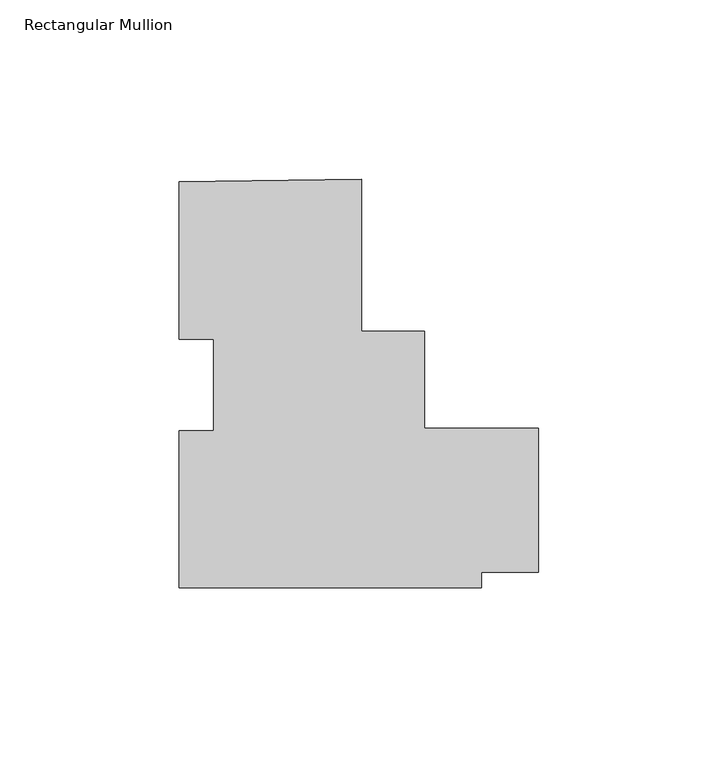
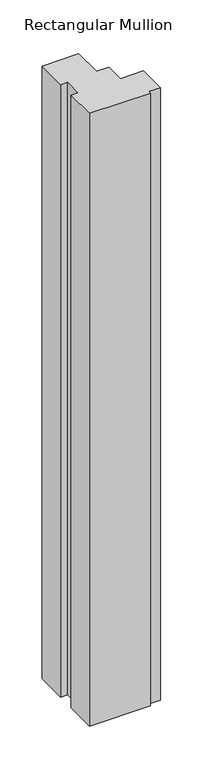
"""IFC4 building model written with IfcOpenShell, lengths in millimetres: member geometry, Rectangular Mullion."""

import ifcopenshell
import ifcopenshell.guid

model = None  # the IFC model being written
_history = None  # IfcOwnerHistory: only IFC2X3 demands one
_inside = {}  # id of a spatial element -> (the spatial element, [elements in it])
_under = {}  # id of a project, library or spatial element -> (it, [spatial elements below it])
_declared = {}  # id of a project -> (the project, [libraries it declares])
_typed = {}  # id of a type object -> (the type object, [elements of that type])
_made_of = {}  # id of a material, layer set ... -> (it, [elements and type objects made of it])


def new_model(schema):
    """Start an empty IFC model of exactly this schema.

    Asked for "IFC4X3", IfcOpenShell would pick the latest addendum, in which some entities
    have other attributes; the version numbers below select the first issue.
    IFC2X3 requires an IfcOwnerHistory on every rooted entity: one is made here for all.
    """
    global model, _history
    if schema == "IFC4X3":
        model = ifcopenshell.file(schema_version=(4, 3, 0, 0))
    else:
        model = ifcopenshell.file(schema=schema)
    _inside.clear()
    _under.clear()
    _declared.clear()
    _typed.clear()
    _made_of.clear()
    _history = None
    if model.schema == "IFC2X3":
        org = make("IfcOrganization", Name="unknown")
        user = make(
            "IfcPersonAndOrganization",
            ThePerson=make("IfcPerson", FamilyName="unknown"),
            TheOrganization=org,
        )
        app = make(
            "IfcApplication",
            ApplicationDeveloper=org,
            Version="unknown",
            ApplicationFullName="unknown",
            ApplicationIdentifier="unknown",
        )
        _history = make(
            "IfcOwnerHistory",
            OwningUser=user,
            OwningApplication=app,
            ChangeAction="ADDED",
            CreationDate=0,
        )
    return model


def make(cls, **values):
    """One entity of the class cls with the attributes given. An attribute that is None is left unset."""
    return model.create_entity(
        cls, **{name: value for name, value in values.items() if value is not None}
    )


def rooted(cls, **values):
    """An entity with a GlobalId (a new one), such as an element, a storey or a relation."""
    return make(cls, GlobalId=ifcopenshell.guid.new(), OwnerHistory=_history, **values)


def si_unit(unit_type, name, prefix=None):
    """IfcSIUnit, for example si_unit("LENGTHUNIT", "METRE", prefix="MILLI")."""
    return make("IfcSIUnit", UnitType=unit_type, Prefix=prefix, Name=name)


def assignment(units):
    """IfcUnitAssignment: the units of a project."""
    return None if units is None else make("IfcUnitAssignment", Units=units)


def point(xyz):
    """IfcCartesianPoint."""
    return None if xyz is None else make("IfcCartesianPoint", Coordinates=xyz)


def direction(xyz):
    """IfcDirection."""
    return None if xyz is None else make("IfcDirection", DirectionRatios=xyz)


def frame(location, z_axis=None, x_axis=None):
    """IfcAxis2Placement3D, a coordinate frame: its origin and axes. An axis left out is left unset."""
    return make(
        "IfcAxis2Placement3D",
        Location=point(location),
        Axis=direction(z_axis),
        RefDirection=direction(x_axis),
    )


def origin():
    """The frame at (0, 0, 0) with its axes left unset."""
    return frame((0.0, 0.0, 0.0))


def place(relative_to, where):
    """IfcLocalPlacement: puts the frame where relative to a parent placement (None: the world)."""
    return make(
        "IfcLocalPlacement", PlacementRelTo=relative_to, RelativePlacement=where
    )


def context(
    kind, dimensions, precision=None, world=None, true_north=None, identifier=None
):
    """IfcGeometricRepresentationContext, for example the 3D "Model" context."""
    return make(
        "IfcGeometricRepresentationContext",
        ContextIdentifier=identifier,
        ContextType=kind,
        CoordinateSpaceDimension=dimensions,
        Precision=precision,
        WorldCoordinateSystem=world,
        TrueNorth=true_north,
    )


def project(units=None, contexts=None):
    """IfcProject with its units and contexts."""
    return rooted(
        "IfcProject",
        Name="project",
        RepresentationContexts=contexts,
        UnitsInContext=assignment(units),
    )


def spatial(cls, under=None, at=None, **own):
    """A site, building, storey or space (cls), placed at a placement, below another one or the project."""
    s = rooted(cls, ObjectPlacement=at, **own)
    if under is not None:
        _under.setdefault(under.id(), (under, []))[1].append(s)
    return s


def polyline(points):
    """IfcPolyline through the points."""
    return make("IfcPolyline", Points=[point(p) for p in points])


def outline(outer, holes=None, kind="AREA"):
    """IfcArbitraryClosedProfileDef: a profile drawn as a closed curve; with holes, ...WithVoids."""
    if holes is None:
        return make("IfcArbitraryClosedProfileDef", ProfileType=kind, OuterCurve=outer)
    return make(
        "IfcArbitraryProfileDefWithVoids",
        ProfileType=kind,
        OuterCurve=outer,
        InnerCurves=holes,
    )


def extrude(swept, where, along, depth):
    """IfcExtrudedAreaSolid: the profile swept, set in the frame where, extruded along a direction by depth."""
    return make(
        "IfcExtrudedAreaSolid",
        SweptArea=swept,
        Position=where,
        ExtrudedDirection=direction(along),
        Depth=depth,
    )


def shape(context_of_items, identifier, shape_type, items):
    """IfcShapeRepresentation: the items that make up one representation, for example the "Body"."""
    return make(
        "IfcShapeRepresentation",
        ContextOfItems=context_of_items,
        RepresentationIdentifier=identifier,
        RepresentationType=shape_type,
        Items=items,
    )


def source(mapping_origin, context_of_items, identifier, shape_type, items):
    """IfcRepresentationMap: a shape defined once, which mapped items show again and again."""
    return make(
        "IfcRepresentationMap",
        MappingOrigin=mapping_origin,
        MappedRepresentation=shape(context_of_items, identifier, shape_type, items),
    )


def transform(
    local_origin,
    x_axis=None,
    y_axis=None,
    z_axis=None,
    scale=None,
    scale2=None,
    scale3=None,
    uniform=True,
):
    """IfcCartesianTransformationOperator3D, or its non-uniform kind. x_axis, y_axis, z_axis: its Axis1, 2, 3."""
    if uniform:
        return make(
            "IfcCartesianTransformationOperator3D",
            Axis1=direction(x_axis),
            Axis2=direction(y_axis),
            LocalOrigin=point(local_origin),
            Scale=scale,
            Axis3=direction(z_axis),
        )
    return make(
        "IfcCartesianTransformationOperator3DnonUniform",
        Axis1=direction(x_axis),
        Axis2=direction(y_axis),
        LocalOrigin=point(local_origin),
        Scale=scale,
        Axis3=direction(z_axis),
        Scale2=scale2,
        Scale3=scale3,
    )


def mapped(mapping_source, mapping_target):
    """IfcMappedItem: shows the shape of a source again, moved by a transform."""
    return make(
        "IfcMappedItem", MappingSource=mapping_source, MappingTarget=mapping_target
    )


def made_of(thing, what):
    """Note that an element or type object is made of a material, layer set ...; save() writes the relation."""
    if what is not None:
        _made_of.setdefault(what.id(), (what, []))[1].append(thing)
    return thing


def element(
    cls,
    number,
    at=None,
    inside=None,
    cuts=None,
    type_object=None,
    material=None,
    context=None,
    identifier="Body",
    shape_type=None,
    held_by="IfcProductDefinitionShape",
    body=None,
    shapes=None,
    **own,
):
    """One element of the class cls, such as IfcWall. Its Tag is "e" and its number.

    at: its placement. inside: the storey or other place that contains it. cuts: it is an
    opening in that element (IfcRelVoidsElement). A single representation is given by context,
    identifier, shape_type and body (its items); several are given by shapes. held_by: the class
    of the entity that holds the representations. save() writes the other relations.
    """
    e = rooted(cls, Tag="e%d" % number, ObjectPlacement=at, **own)
    if body is not None:
        shapes = [shape(context, identifier, shape_type, body)]
    if shapes is not None:
        e.Representation = make(held_by, Representations=shapes)
    if inside is not None:
        _inside.setdefault(inside.id(), (inside, []))[1].append(e)
    if cuts is not None:
        rooted(
            "IfcRelVoidsElement", RelatingBuildingElement=cuts, RelatedOpeningElement=e
        )
    if type_object is not None:
        _typed.setdefault(type_object.id(), (type_object, []))[1].append(e)
    return made_of(e, material)


def aggregate(whole, parts):
    """IfcRelAggregates: a whole, such as a stair, and the parts it consists of."""
    return rooted("IfcRelAggregates", RelatingObject=whole, RelatedObjects=parts)


def save(model, path):
    """Write the relations noted so far, then the file.

    IfcRelAggregates (storeys below a building ...), IfcRelContainedInSpatialStructure (elements
    in a storey), IfcRelDefinesByType, IfcRelAssociatesMaterial and IfcRelDeclares: one each for
    every whole, place, type object, material and project.
    """
    for whole, parts in _under.values():
        aggregate(whole, parts)
    for where, things in _inside.values():
        rooted(
            "IfcRelContainedInSpatialStructure",
            RelatedElements=things,
            RelatingStructure=where,
        )
    for kind, things in _typed.values():
        rooted("IfcRelDefinesByType", RelatedObjects=things, RelatingType=kind)
    for what, things in _made_of.values():
        rooted("IfcRelAssociatesMaterial", RelatedObjects=things, RelatingMaterial=what)
    for by, libraries in _declared.values():
        rooted("IfcRelDeclares", RelatingContext=by, RelatedDefinitions=libraries)
    model.write(path)


def rectangular_mullion_48965bf6(model_context):
    return source(origin(), model_context, "Body", "SweptSolid", [
        extrude(outline(polyline([(10.7927347, 49.9428429), (10.7927347, 7.6295813), (28.2552347, 7.6295813), (28.2552347, -19.3878456), (60.0161047, -19.3878456), (60.0161047, -59.3929512), (44.1420142, -59.3929512), (44.1420142, -63.8298232), (-40.0072653, -63.8298232), (-40.0072653, -20.0220554), (-30.4822653, -20.0220554), (-30.4822653, 5.465643), (-40.0072653, 5.465643), (-40.0072653, 49.2848408), (10.7927347, 49.9428429)])), frame((0.0, 0.0, -891.032), z_axis=(0.0, 0.0, 1.0), x_axis=(1.0, 0.0, 0.0)), (0.0, 0.0, 1.0), 891.032),
    ])


if __name__ == "__main__":
    model = new_model("IFC4")
    model_context = context("Model", 3, world=origin())
    ifc_project = project(units=[si_unit("LENGTHUNIT", "METRE", prefix="MILLI")], contexts=[model_context])
    site = spatial("IfcSite", under=ifc_project)
    building = spatial("IfcBuilding", under=site)
    placement = place(None, origin())
    rectangular_mullion_shape = rectangular_mullion_48965bf6(model_context)
    element("IfcMember", 1, ObjectType="Rectangular Mullion", at=placement, inside=building, context=model_context, shape_type="MappedRepresentation", body=[
        mapped(rectangular_mullion_shape, transform((0.0, 0.0, 0.0), x_axis=(1.0, 0.0, 0.0), y_axis=(0.0, 1.0, 0.0), z_axis=(0.0, 0.0, 1.0))),
    ])
    save(model, "model.ifc")
